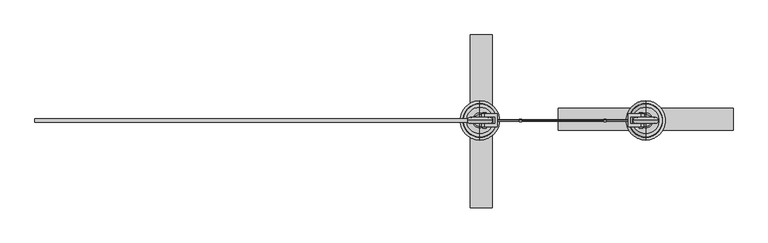
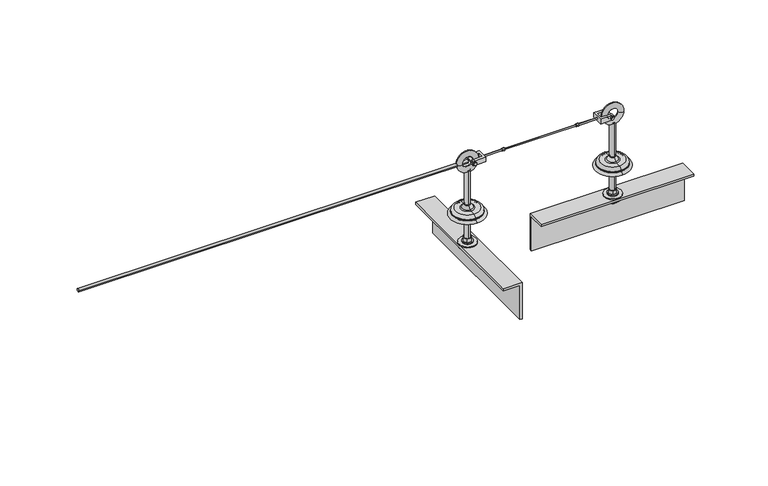
"""IFC4 building model written with IfcOpenShell, lengths in millimetres: proxy geometry."""

from ifc_helpers import new_model, si_unit, point, frame, frame_2d, origin, place, context, project, spatial, polyline, circle_curve, ellipse_curve, trimmed, segment, composite_curve, outline, extrude, source, transform, mapped, element, save
from ifc_brep_helpers import plane_surface, cylinder_surface, revolved_surface, advanced_brep


def specialty_equipment_a8bb1f18(model_context):
    return source(origin(), model_context, "Body", "SolidModel", [
        advanced_brep(
        [(1400.0, 45.0, 0.0), (1400.0, 7.0, 0.0), (1400.0, -7.0, 0.0), (1400.0, -45.0, 0.0), (1400.0, 7.0, -100.0), (1400.0, -7.0, -100.0), (1400.0, 0.0, -100.0), (1400.0, 0.0, 121.6303144), (1400.0, 6.9, 121.6303144), (1400.0, -6.9, 121.6303144), (1400.0, 6.9, 28.0512021), (1400.0, -6.9, 28.0512021), (1400.0, 7.995656, 24.9277269), (1400.0, 13.6366177, 17.8765248), (1400.0, -13.6366177, 17.8765248), (1400.0, -7.995656, 24.9277269), (1400.0, 17.5409617, 16.0), (1400.0, 30.1640518, 16.0), (1400.0, -30.1640518, 16.0), (1400.0, -17.5409617, 16.0), (1400.0, 37.6378375, 8.5262143), (1400.0, -37.6378375, 8.5262143), (1400.0, 37.6378375, 6.8656759), (1400.0, -37.6378375, 6.8656759), (1400.0, 38.448306, 5.8712826), (1400.0, -38.448306, 5.8712826)],
        [
            (0, 1),
            (1, 2, circle_curve(frame((1400.0, 0.0, 0.0), z_axis=(0.0, 0.0, 1.0), x_axis=(0.0, -1.0, 0.0)), 7.0)),
            (2, 3),
            (3, 0, circle_curve(frame((1400.0, 0.0, 0.0), z_axis=(0.0, 0.0, -1.0), x_axis=(0.0, -1.0, 0.0)), 45.0)),
            (2, 1, circle_curve(frame((1400.0, 0.0, 0.0), z_axis=(0.0, 0.0, 1.0), x_axis=(0.0, -1.0, 0.0)), 7.0)),
            (0, 3, circle_curve(frame((1400.0, 0.0, 0.0), z_axis=(0.0, 0.0, -1.0), x_axis=(0.0, -1.0, 0.0)), 45.0)),
            (1, 4),
            (4, 5, circle_curve(frame((1400.0, 0.0, -100.0), z_axis=(0.0, 0.0, 1.0), x_axis=(0.0, -1.0, 0.0)), 7.0)),
            (5, 2),
            (5, 4, circle_curve(frame((1400.0, 0.0, -100.0), z_axis=(0.0, 0.0, 1.0), x_axis=(0.0, -1.0, 0.0)), 7.0)),
            (4, 6),
            (6, 5),
            (7, 8),
            (8, 9, circle_curve(frame((1400.0, 0.0, 121.6303144), z_axis=(0.0, 0.0, 1.0), x_axis=(0.0, -1.0, 0.0)), 6.9)),
            (9, 7),
            (9, 8, circle_curve(frame((1400.0, 0.0, 121.6303144), z_axis=(0.0, 0.0, 1.0), x_axis=(0.0, -1.0, 0.0)), 6.9)),
            (8, 10),
            (10, 11, circle_curve(frame((1400.0, 0.0, 28.0512021), z_axis=(0.0, 0.0, 1.0), x_axis=(0.0, -1.0, 0.0)), 6.9)),
            (11, 9),
            (11, 10, circle_curve(frame((1400.0, 0.0, 28.0512021), z_axis=(0.0, 0.0, 1.0), x_axis=(0.0, -1.0, 0.0)), 6.9)),
            (12, 13),
            (13, 14, circle_curve(frame((1400.0, 0.0, 17.8765248), z_axis=(0.0, 0.0, 1.0), x_axis=(0.0, -1.0, 0.0)), 13.6366177)),
            (14, 15),
            (15, 12, circle_curve(frame((1400.0, 0.0, 24.9277269), z_axis=(0.0, 0.0, -1.0), x_axis=(0.0, -1.0, 0.0)), 7.995656)),
            (14, 13, circle_curve(frame((1400.0, 0.0, 17.8765248), z_axis=(0.0, 0.0, 1.0), x_axis=(0.0, -1.0, 0.0)), 13.6366177)),
            (12, 15, circle_curve(frame((1400.0, 0.0, 24.9277269), z_axis=(0.0, 0.0, -1.0), x_axis=(0.0, -1.0, 0.0)), 7.995656)),
            (16, 17),
            (17, 18, circle_curve(frame((1400.0, 0.0, 16.0), z_axis=(0.0, 0.0, 1.0), x_axis=(0.0, -1.0, 0.0)), 30.1640518)),
            (18, 19),
            (19, 16, circle_curve(frame((1400.0, 0.0, 16.0), z_axis=(0.0, 0.0, -1.0), x_axis=(0.0, -1.0, 0.0)), 17.5409617)),
            (18, 17, circle_curve(frame((1400.0, 0.0, 16.0), z_axis=(0.0, 0.0, 1.0), x_axis=(0.0, -1.0, 0.0)), 30.1640518)),
            (16, 19, circle_curve(frame((1400.0, 0.0, 16.0), z_axis=(0.0, 0.0, -1.0), x_axis=(0.0, -1.0, 0.0)), 17.5409617)),
            (17, 20, circle_curve(frame((1400.0, 30.1640518, 8.5262143), z_axis=(-1.0, 0.0, 0.0), x_axis=(0.0, -1.0, 0.0)), 7.4737857)),
            (20, 21, circle_curve(frame((1400.0, 0.0, 8.5262143), z_axis=(0.0, 0.0, 1.0), x_axis=(0.0, -1.0, 0.0)), 37.6378375)),
            (21, 18, circle_curve(frame((1400.0, -30.1640518, 8.5262143), z_axis=(-1.0, 0.0, 0.0), x_axis=(0.0, 1.0, 0.0)), 7.4737857)),
            (21, 20, circle_curve(frame((1400.0, 0.0, 8.5262143), z_axis=(0.0, 0.0, 1.0), x_axis=(0.0, -1.0, 0.0)), 37.6378375)),
            (20, 22),
            (22, 23, circle_curve(frame((1400.0, 0.0, 6.8656759), z_axis=(0.0, 0.0, 1.0), x_axis=(0.0, -1.0, 0.0)), 37.6378375)),
            (23, 21),
            (23, 22, circle_curve(frame((1400.0, 0.0, 6.8656759), z_axis=(0.0, 0.0, 1.0), x_axis=(0.0, -1.0, 0.0)), 37.6378375)),
            (10, 12, circle_curve(frame((1400.0, 11.9, 28.0512021), z_axis=(1.0, 0.0, 0.0), x_axis=(0.0, -1.0, 0.0)), 5.0)),
            (15, 11, circle_curve(frame((1400.0, -11.9, 28.0512021), z_axis=(1.0, 0.0, 0.0), x_axis=(0.0, 1.0, 0.0)), 5.0)),
            (13, 16, circle_curve(frame((1400.0, 17.5409617, 21.0), z_axis=(1.0, 0.0, 0.0), x_axis=(0.0, -1.0, 0.0)), 5.0)),
            (19, 14, circle_curve(frame((1400.0, -17.5409617, 21.0), z_axis=(1.0, 0.0, 0.0), x_axis=(0.0, 1.0, 0.0)), 5.0)),
            (22, 24, circle_curve(frame((1400.0, 38.6531003, 6.8656759), z_axis=(1.0, 0.0, 0.0), x_axis=(0.0, -1.0, 0.0)), 1.0152629)),
            (24, 25, circle_curve(frame((1400.0, 0.0, 5.8712826), z_axis=(0.0, 0.0, 1.0), x_axis=(0.0, -1.0, 0.0)), 38.448306)),
            (25, 23, circle_curve(frame((1400.0, -38.6531003, 6.8656759), z_axis=(1.0, 0.0, 0.0), x_axis=(0.0, 1.0, 0.0)), 1.0152629)),
            (25, 24, circle_curve(frame((1400.0, 0.0, 5.8712826), z_axis=(0.0, 0.0, 1.0), x_axis=(0.0, -1.0, 0.0)), 38.448306)),
            (24, 0, circle_curve(frame((1400.0, 36.6858246, -2.686569), z_axis=(-1.0, 0.0, 0.0), x_axis=(0.0, -1.0, 0.0)), 8.7374576)),
            (3, 25, circle_curve(frame((1400.0, -36.6858246, -2.686569), z_axis=(-1.0, 0.0, 0.0), x_axis=(0.0, 1.0, 0.0)), 8.7374576)),
        ],
        [
            plane_surface(frame((1400.0, 0.0, 0.0), z_axis=(0.0, 0.0, -1.0), x_axis=(0.0, -1.0, 0.0))),
            cylinder_surface(frame((1400.0, 0.0, 93.0), z_axis=(0.0, 0.0, 1.0), x_axis=(0.0, -1.0, 0.0)), 7.0),
            plane_surface(frame((1400.0, 0.0, -100.0), z_axis=(0.0, 0.0, -1.0), x_axis=(0.0, -1.0, 0.0))),
            plane_surface(frame((1400.0, 0.0, 121.6303144), z_axis=(0.0, 0.0, 1.0), x_axis=(0.0, -1.0, 0.0))),
            cylinder_surface(frame((1400.0, 0.0, 93.0), z_axis=(0.0, 0.0, 1.0), x_axis=(0.0, -1.0, 0.0)), 6.9),
            revolved_surface(polyline([(1400.0, -13.6366177, 17.8765248), (1400.0, -7.995656, 24.9277269)]), (1400.0, 0.0, 93.0), (0.0, 0.0, 1.0)),
            plane_surface(frame((1400.0, 0.0, 16.0), z_axis=(0.0, 0.0, 1.0), x_axis=(0.0, -1.0, 0.0))),
            revolved_surface(trimmed(ellipse_curve(frame((1400.0, -30.1640518, 8.5262143), z_axis=(-1.0, 0.0, 0.0), x_axis=(0.0, 1.0, 0.0)), 7.4737857, 7.4737857), [point((1400.0, -37.6378375, 8.5262143))], [point((1400.0, -30.1640518, 16.0))], True, "CARTESIAN"), (1400.0, 0.0, 93.0), (0.0, 0.0, 1.0)),
            cylinder_surface(frame((1400.0, 0.0, 93.0), z_axis=(0.0, 0.0, 1.0), x_axis=(0.0, -1.0, 0.0)), 37.6378375),
            revolved_surface(trimmed(ellipse_curve(frame((1400.0, -11.9, 28.0512021), z_axis=(1.0, 0.0, 0.0), x_axis=(0.0, 1.0, 0.0)), 5.0, 5.0), [point((1400.0, -7.995656, 24.9277269))], [point((1400.0, -6.9, 28.0512021))], True, "CARTESIAN"), (1400.0, 0.0, 93.0), (0.0, 0.0, 1.0)),
            revolved_surface(trimmed(ellipse_curve(frame((1400.0, -17.5409617, 21.0), z_axis=(1.0, 0.0, 0.0), x_axis=(0.0, 1.0, 0.0)), 5.0, 5.0), [point((1400.0, -17.5409617, 16.0))], [point((1400.0, -13.6366177, 17.8765248))], True, "CARTESIAN"), (1400.0, 0.0, 93.0), (0.0, 0.0, 1.0)),
            revolved_surface(trimmed(ellipse_curve(frame((1400.0, -38.6531003, 6.8656759), z_axis=(1.0, 0.0, 0.0), x_axis=(0.0, 1.0, 0.0)), 1.0152629, 1.0152629), [point((1400.0, -38.448306, 5.8712826))], [point((1400.0, -37.6378375, 6.8656759))], True, "CARTESIAN"), (1400.0, 0.0, 93.0), (0.0, 0.0, 1.0)),
            revolved_surface(trimmed(ellipse_curve(frame((1400.0, -36.6858246, -2.686569), z_axis=(-1.0, 0.0, 0.0), x_axis=(0.0, 1.0, 0.0)), 8.7374576, 8.7374576), [point((1400.0, -45.0, 0.0))], [point((1400.0, -38.448306, 5.8712826))], True, "CARTESIAN"), (1400.0, 0.0, 93.0), (0.0, 0.0, 1.0)),
        ],
        [
            (0, [[1, 2, 3, 4]]),
            (0, [[-3, 5, -1, 6]]),
            (1, [[7, 8, 9, -2]]),
            (1, [[-9, 10, -7, -5]]),
            (2, [[11, 12, -8]]),
            (2, [[-12, -11, -10]]),
            (3, [[13, 14, 15]]),
            (3, [[-15, 16, -13]]),
            (4, [[17, 18, 19, -14]]),
            (4, [[-19, 20, -17, -16]]),
            (5, [[21, 22, 23, 24]]),
            (5, [[-23, 25, -21, 26]]),
            (6, [[27, 28, 29, 30]]),
            (6, [[-29, 31, -27, 32]]),
            (7, [[33, 34, 35, -28]]),
            (7, [[-35, 36, -33, -31]]),
            (8, [[37, 38, 39, -34]]),
            (8, [[-39, 40, -37, -36]]),
            (9, [[41, -24, 42, -18]]),
            (9, [[-42, -26, -41, -20]]),
            (10, [[43, -30, 44, -22]]),
            (10, [[-44, -32, -43, -25]]),
            (11, [[45, 46, 47, -38]]),
            (11, [[-47, 48, -45, -40]]),
            (12, [[49, -4, 50, -46]]),
            (12, [[-50, -6, -49, -48]]),
        ],
    ),
        advanced_brep(
        [(1020.0243251, 7.0, 0.0), (1020.0243251, 45.0, 0.0), (1020.0243251, -45.0, 0.0), (1020.0243251, -7.0, 0.0), (1020.0243251, 7.0, -100.0), (1020.0243251, -7.0, -100.0), (1020.0243251, 0.0, -100.0), (1020.0243251, 6.9, 121.6303144), (1020.0243251, 0.0, 121.6303144), (1020.0243251, -6.9, 121.6303144), (1020.0243251, 6.9, 28.0512021), (1020.0243251, -6.9, 28.0512021), (1020.0243251, 13.6366177, 17.8765248), (1020.0243251, 7.995656, 24.9277269), (1020.0243251, -7.995656, 24.9277269), (1020.0243251, -13.6366177, 17.8765248), (1020.0243251, 30.1640518, 16.0), (1020.0243251, 17.5409617, 16.0), (1020.0243251, -17.5409617, 16.0), (1020.0243251, -30.1640518, 16.0), (1020.0243251, 37.6378375, 8.5262143), (1020.0243251, -37.6378375, 8.5262143), (1020.0243251, 37.6378375, 6.8656759), (1020.0243251, -37.6378375, 6.8656759), (1020.0243251, 38.448306, 5.8712826), (1020.0243251, -38.448306, 5.8712826)],
        [
            (0, 1),
            (1, 2, circle_curve(frame((1020.0243251, 0.0, 0.0), z_axis=(0.0, 0.0, -1.0), x_axis=(0.0, -1.0, 0.0)), 45.0)),
            (2, 3),
            (3, 0, circle_curve(frame((1020.0243251, 0.0, 0.0), z_axis=(0.0, 0.0, 1.0), x_axis=(0.0, -1.0, 0.0)), 7.0)),
            (2, 1, circle_curve(frame((1020.0243251, 0.0, 0.0), z_axis=(0.0, 0.0, -1.0), x_axis=(0.0, -1.0, 0.0)), 45.0)),
            (0, 3, circle_curve(frame((1020.0243251, 0.0, 0.0), z_axis=(0.0, 0.0, 1.0), x_axis=(0.0, -1.0, 0.0)), 7.0)),
            (4, 0),
            (3, 5),
            (5, 4, circle_curve(frame((1020.0243251, 0.0, -100.0), z_axis=(0.0, 0.0, 1.0), x_axis=(0.0, -1.0, 0.0)), 7.0)),
            (4, 5, circle_curve(frame((1020.0243251, 0.0, -100.0), z_axis=(0.0, 0.0, 1.0), x_axis=(0.0, -1.0, 0.0)), 7.0)),
            (6, 4),
            (5, 6),
            (7, 8),
            (8, 9),
            (9, 7, circle_curve(frame((1020.0243251, 0.0, 121.6303144), z_axis=(0.0, 0.0, 1.0), x_axis=(0.0, -1.0, 0.0)), 6.9)),
            (7, 9, circle_curve(frame((1020.0243251, 0.0, 121.6303144), z_axis=(0.0, 0.0, 1.0), x_axis=(0.0, -1.0, 0.0)), 6.9)),
            (10, 7),
            (9, 11),
            (11, 10, circle_curve(frame((1020.0243251, 0.0, 28.0512021), z_axis=(0.0, 0.0, 1.0), x_axis=(0.0, -1.0, 0.0)), 6.9)),
            (10, 11, circle_curve(frame((1020.0243251, 0.0, 28.0512021), z_axis=(0.0, 0.0, 1.0), x_axis=(0.0, -1.0, 0.0)), 6.9)),
            (12, 13),
            (13, 14, circle_curve(frame((1020.0243251, 0.0, 24.9277269), z_axis=(0.0, 0.0, -1.0), x_axis=(0.0, -1.0, 0.0)), 7.995656)),
            (14, 15),
            (15, 12, circle_curve(frame((1020.0243251, 0.0, 17.8765248), z_axis=(0.0, 0.0, 1.0), x_axis=(0.0, -1.0, 0.0)), 13.6366177)),
            (14, 13, circle_curve(frame((1020.0243251, 0.0, 24.9277269), z_axis=(0.0, 0.0, -1.0), x_axis=(0.0, -1.0, 0.0)), 7.995656)),
            (12, 15, circle_curve(frame((1020.0243251, 0.0, 17.8765248), z_axis=(0.0, 0.0, 1.0), x_axis=(0.0, -1.0, 0.0)), 13.6366177)),
            (16, 17),
            (17, 18, circle_curve(frame((1020.0243251, 0.0, 16.0), z_axis=(0.0, 0.0, -1.0), x_axis=(0.0, -1.0, 0.0)), 17.5409617)),
            (18, 19),
            (19, 16, circle_curve(frame((1020.0243251, 0.0, 16.0), z_axis=(0.0, 0.0, 1.0), x_axis=(0.0, -1.0, 0.0)), 30.1640518)),
            (18, 17, circle_curve(frame((1020.0243251, 0.0, 16.0), z_axis=(0.0, 0.0, -1.0), x_axis=(0.0, -1.0, 0.0)), 17.5409617)),
            (16, 19, circle_curve(frame((1020.0243251, 0.0, 16.0), z_axis=(0.0, 0.0, 1.0), x_axis=(0.0, -1.0, 0.0)), 30.1640518)),
            (20, 16, circle_curve(frame((1020.0243251, 30.1640518, 8.5262143), z_axis=(1.0, 0.0, 0.0), x_axis=(0.0, -1.0, 0.0)), 7.4737857)),
            (19, 21, circle_curve(frame((1020.0243251, -30.1640518, 8.5262143), z_axis=(1.0, 0.0, 0.0), x_axis=(0.0, 1.0, 0.0)), 7.4737857)),
            (21, 20, circle_curve(frame((1020.0243251, 0.0, 8.5262143), z_axis=(0.0, 0.0, 1.0), x_axis=(0.0, -1.0, 0.0)), 37.6378375)),
            (20, 21, circle_curve(frame((1020.0243251, 0.0, 8.5262143), z_axis=(0.0, 0.0, 1.0), x_axis=(0.0, -1.0, 0.0)), 37.6378375)),
            (22, 20),
            (21, 23),
            (23, 22, circle_curve(frame((1020.0243251, 0.0, 6.8656759), z_axis=(0.0, 0.0, 1.0), x_axis=(0.0, -1.0, 0.0)), 37.6378375)),
            (22, 23, circle_curve(frame((1020.0243251, 0.0, 6.8656759), z_axis=(0.0, 0.0, 1.0), x_axis=(0.0, -1.0, 0.0)), 37.6378375)),
            (13, 10, circle_curve(frame((1020.0243251, 11.9, 28.0512021), z_axis=(-1.0, 0.0, 0.0), x_axis=(0.0, -1.0, 0.0)), 5.0)),
            (11, 14, circle_curve(frame((1020.0243251, -11.9, 28.0512021), z_axis=(-1.0, 0.0, 0.0), x_axis=(0.0, 1.0, 0.0)), 5.0)),
            (17, 12, circle_curve(frame((1020.0243251, 17.5409617, 21.0), z_axis=(-1.0, 0.0, 0.0), x_axis=(0.0, -1.0, 0.0)), 5.0)),
            (15, 18, circle_curve(frame((1020.0243251, -17.5409617, 21.0), z_axis=(-1.0, 0.0, 0.0), x_axis=(0.0, 1.0, 0.0)), 5.0)),
            (24, 22, circle_curve(frame((1020.0243251, 38.6531003, 6.8656759), z_axis=(-1.0, 0.0, 0.0), x_axis=(0.0, -1.0, 0.0)), 1.0152629)),
            (23, 25, circle_curve(frame((1020.0243251, -38.6531003, 6.8656759), z_axis=(-1.0, 0.0, 0.0), x_axis=(0.0, 1.0, 0.0)), 1.0152629)),
            (25, 24, circle_curve(frame((1020.0243251, 0.0, 5.8712826), z_axis=(0.0, 0.0, 1.0), x_axis=(0.0, -1.0, 0.0)), 38.448306)),
            (24, 25, circle_curve(frame((1020.0243251, 0.0, 5.8712826), z_axis=(0.0, 0.0, 1.0), x_axis=(0.0, -1.0, 0.0)), 38.448306)),
            (1, 24, circle_curve(frame((1020.0243251, 36.6858246, -2.686569), z_axis=(1.0, 0.0, 0.0), x_axis=(0.0, -1.0, 0.0)), 8.7374576)),
            (25, 2, circle_curve(frame((1020.0243251, -36.6858246, -2.686569), z_axis=(1.0, 0.0, 0.0), x_axis=(0.0, 1.0, 0.0)), 8.7374576)),
        ],
        [
            plane_surface(frame((1020.0243251, 0.0, 0.0), z_axis=(0.0, 0.0, -1.0), x_axis=(0.0, -1.0, 0.0))),
            cylinder_surface(frame((1020.0243251, 0.0, 93.0), z_axis=(0.0, 0.0, -1.0), x_axis=(0.0, -1.0, 0.0)), 7.0),
            plane_surface(frame((1020.0243251, 0.0, -100.0), z_axis=(0.0, 0.0, -1.0), x_axis=(0.0, -1.0, 0.0))),
            plane_surface(frame((1020.0243251, 0.0, 121.6303144), z_axis=(0.0, 0.0, 1.0), x_axis=(0.0, -1.0, 0.0))),
            cylinder_surface(frame((1020.0243251, 0.0, 93.0), z_axis=(0.0, 0.0, -1.0), x_axis=(0.0, -1.0, 0.0)), 6.9),
            revolved_surface(polyline([(1020.0243251, -7.995656, 24.9277269), (1020.0243251, -13.6366177, 17.8765248)]), (1020.0243251, 0.0, 93.0), (0.0, 0.0, -1.0)),
            plane_surface(frame((1020.0243251, 0.0, 16.0), z_axis=(0.0, 0.0, 1.0), x_axis=(0.0, -1.0, 0.0))),
            revolved_surface(trimmed(ellipse_curve(frame((1020.0243251, -30.1640518, 8.5262143), z_axis=(1.0, 0.0, 0.0), x_axis=(0.0, 1.0, 0.0)), 7.4737857, 7.4737857), [point((1020.0243251, -30.1640518, 16.0))], [point((1020.0243251, -37.6378375, 8.5262143))], True, "CARTESIAN"), (1020.0243251, 0.0, 93.0), (0.0, 0.0, -1.0)),
            cylinder_surface(frame((1020.0243251, 0.0, 93.0), z_axis=(0.0, 0.0, -1.0), x_axis=(0.0, -1.0, 0.0)), 37.6378375),
            revolved_surface(trimmed(ellipse_curve(frame((1020.0243251, -11.9, 28.0512021), z_axis=(-1.0, 0.0, 0.0), x_axis=(0.0, 1.0, 0.0)), 5.0, 5.0), [point((1020.0243251, -6.9, 28.0512021))], [point((1020.0243251, -7.995656, 24.9277269))], True, "CARTESIAN"), (1020.0243251, 0.0, 93.0), (0.0, 0.0, -1.0)),
            revolved_surface(trimmed(ellipse_curve(frame((1020.0243251, -17.5409617, 21.0), z_axis=(-1.0, 0.0, 0.0), x_axis=(0.0, 1.0, 0.0)), 5.0, 5.0), [point((1020.0243251, -13.6366177, 17.8765248))], [point((1020.0243251, -17.5409617, 16.0))], True, "CARTESIAN"), (1020.0243251, 0.0, 93.0), (0.0, 0.0, -1.0)),
            revolved_surface(trimmed(ellipse_curve(frame((1020.0243251, -38.6531003, 6.8656759), z_axis=(-1.0, 0.0, 0.0), x_axis=(0.0, 1.0, 0.0)), 1.0152629, 1.0152629), [point((1020.0243251, -37.6378375, 6.8656759))], [point((1020.0243251, -38.448306, 5.8712826))], True, "CARTESIAN"), (1020.0243251, 0.0, 93.0), (0.0, 0.0, -1.0)),
            revolved_surface(trimmed(ellipse_curve(frame((1020.0243251, -36.6858246, -2.686569), z_axis=(1.0, 0.0, 0.0), x_axis=(0.0, 1.0, 0.0)), 8.7374576, 8.7374576), [point((1020.0243251, -38.448306, 5.8712826))], [point((1020.0243251, -45.0, 0.0))], True, "CARTESIAN"), (1020.0243251, 0.0, 93.0), (0.0, 0.0, -1.0)),
        ],
        [
            (0, [[1, 2, 3, 4]]),
            (0, [[-3, 5, -1, 6]]),
            (1, [[7, -4, 8, 9]]),
            (1, [[-8, -6, -7, 10]]),
            (2, [[11, -9, 12]]),
            (2, [[-12, -10, -11]]),
            (3, [[13, 14, 15]]),
            (3, [[-14, -13, 16]]),
            (4, [[17, -15, 18, 19]]),
            (4, [[-18, -16, -17, 20]]),
            (5, [[21, 22, 23, 24]]),
            (5, [[-23, 25, -21, 26]]),
            (6, [[27, 28, 29, 30]]),
            (6, [[-29, 31, -27, 32]]),
            (7, [[33, -30, 34, 35]]),
            (7, [[-34, -32, -33, 36]]),
            (8, [[37, -35, 38, 39]]),
            (8, [[-38, -36, -37, 40]]),
            (9, [[41, -19, 42, -22]]),
            (9, [[-42, -20, -41, -25]]),
            (10, [[43, -24, 44, -28]]),
            (10, [[-44, -26, -43, -31]]),
            (11, [[45, -39, 46, 47]]),
            (11, [[-46, -40, -45, 48]]),
            (12, [[49, -47, 50, -2]]),
            (12, [[-50, -48, -49, -5]]),
        ],
    ),
        extrude(outline(polyline([(0.0378375, 147.2159586), (3.255952, 145.3579793), (3.255952, 141.6420207), (0.0378375, 139.7840414), (-3.1802771, 141.6420207), (-3.1802771, 145.3579793), (0.0378375, 147.2159586)])), frame((1304.0, 0.0, 0.0), z_axis=(1.0, 0.0, 0.0), x_axis=(0.0, 1.0, 0.0)), (0.0, 0.0, 1.0), 6.0),
        extrude(outline(polyline([(0.0378375, 147.2159586), (3.255952, 145.3579793), (3.255952, 141.6420207), (0.0378375, 139.7840414), (-3.1802771, 141.6420207), (-3.1802771, 145.3579793), (0.0378375, 147.2159586)])), frame((1110.0243251, 0.0, 0.0), z_axis=(1.0, 0.0, 0.0), x_axis=(0.0, 1.0, 0.0)), (0.0, 0.0, 1.0), 6.0),
        extrude(outline(composite_curve([segment(trimmed(circle_curve(frame_2d((0.0378375, 143.5)), 2.0), [point((0.0378375, 145.5))], [point((0.0378375, 141.5))], False, "CARTESIAN"), True, "CONTINUOUS"), segment(trimmed(circle_curve(frame_2d((0.0378375, 143.5)), 2.0), [point((0.0378375, 141.5))], [point((0.0378375, 145.5))], False, "CARTESIAN"), True, "CONTINUOUS")], self_intersect=False)), frame((1060.0243251, 0.0, 0.0), z_axis=(1.0, 0.0, 0.0), x_axis=(0.0, 1.0, 0.0)), (0.0, 0.0, 1.0), 50.0),
        advanced_brep(
        [(1304.0121625, 0.0, 144.9991883), (1304.0121625, 0.0, 143.5), (1304.0121625, 0.0, 142.0008117), (1116.0121625, 0.0, 144.4598668), (1116.0121625, 0.0, 142.5401332), (1116.0121625, 0.0, 143.5)],
        [
            (0, 1),
            (1, 2),
            (2, 0, circle_curve(frame((1304.0121625, 0.0, 143.5), z_axis=(1.0, 0.0, 0.0), x_axis=(0.0, 0.0, -1.0)), 1.4991883)),
            (0, 2, circle_curve(frame((1304.0121625, 0.0, 143.5), z_axis=(1.0, 0.0, 0.0), x_axis=(0.0, 0.0, -1.0)), 1.4991883)),
            (3, 0, circle_curve(frame((1214.6843147, 0.0, -1483.9180993), z_axis=(0.0, 1.0, 0.0), x_axis=(-1.0, 0.0, 0.0)), 1631.3647643)),
            (2, 4, circle_curve(frame((1214.6843147, 0.0, 1770.9180993), z_axis=(0.0, 1.0, 0.0), x_axis=(-1.0, 0.0, 0.0)), 1631.3647643)),
            (4, 3, circle_curve(frame((1116.0121625, 0.0, 143.5), z_axis=(1.0, 0.0, 0.0), x_axis=(0.0, 0.0, -1.0)), 0.9598668)),
            (3, 4, circle_curve(frame((1116.0121625, 0.0, 143.5), z_axis=(1.0, 0.0, 0.0), x_axis=(0.0, 0.0, -1.0)), 0.9598668)),
            (5, 3),
            (4, 5),
        ],
        [
            plane_surface(frame((1304.0121625, 0.0, 143.5), z_axis=(1.0, 0.0, 0.0), x_axis=(0.0, 0.0, -1.0))),
            revolved_surface(trimmed(ellipse_curve(frame((1214.6843147, 0.0, 1770.9180993), z_axis=(0.0, 1.0, 0.0), x_axis=(-1.0, 0.0, 0.0)), 1631.3647643, 1631.3647643), [point((1304.0121625, 0.0, 142.0008117))], [point((1116.0121625, 0.0, 142.5401332))], True, "CARTESIAN"), (1240.0121625, 0.0, 143.5), (-1.0, 0.0, 0.0)),
            plane_surface(frame((1116.0121625, 0.0, 143.5), z_axis=(-1.0, 0.0, 0.0), x_axis=(0.0, 0.0, -1.0))),
        ],
        [
            (0, [[1, 2, 3]]),
            (0, [[-2, -1, 4]]),
            (1, [[5, -3, 6, 7]]),
            (1, [[-6, -4, -5, 8]]),
            (2, [[9, -7, 10]]),
            (2, [[-10, -8, -9]]),
        ],
    ),
        extrude(outline(composite_curve([segment(trimmed(circle_curve(frame_2d((0.0378375, 143.5)), 2.0), [point((0.0378375, 145.5))], [point((0.0378375, 141.5))], False, "CARTESIAN"), True, "CONTINUOUS"), segment(trimmed(circle_curve(frame_2d((0.0378375, 143.5)), 2.0), [point((0.0378375, 141.5))], [point((0.0378375, 145.5))], False, "CARTESIAN"), True, "CONTINUOUS")], self_intersect=False)), frame((1310.0, 0.0, 0.0), z_axis=(1.0, 0.0, 0.0), x_axis=(0.0, 1.0, 0.0)), (0.0, 0.0, 1.0), 50.0),
        extrude(outline(composite_curve([segment(trimmed(circle_curve(frame_2d((143.5, 1030.3432172)), 4.0), [point((143.5, 1026.3432172))], [point((143.5, 1034.3432172))], False, "CARTESIAN"), True, "CONTINUOUS"), segment(trimmed(circle_curve(frame_2d((143.5, 1030.3432172)), 4.0), [point((143.5, 1034.3432172))], [point((143.5, 1026.3432172))], False, "CARTESIAN"), True, "CONTINUOUS")], self_intersect=False)), frame((0.0, -7.7810663, 0.0), z_axis=(0.0, 1.0, 0.0), x_axis=(0.0, 0.0, 1.0)), (0.0, 0.0, 1.0), 15.6923596),
        advanced_brep(
        [(1060.0243251, -15.0, 137.1597348), (1060.0243251, -15.0, 149.8402652), (1030.3675423, -15.0, 149.8402652), (1030.3675423, -15.0, 137.1597348), (1060.0243251, 15.0, 137.1597348), (1030.3675423, 15.0, 137.1597348), (1030.3675423, 15.0, 149.8402652), (1060.0243251, 15.0, 149.8402652), (1030.3675423, 7.9112933, 137.1597348), (1030.3675423, 7.9112933, 149.8402652), (1030.3675423, -7.7810663, 149.8402652), (1030.3675423, -7.7810663, 137.1597348), (1055.0243251, 7.9112933, 149.8402652), (1055.0243251, -7.7810663, 149.8402652), (1055.0243251, -7.7810663, 137.1597348), (1055.0243251, 7.9112933, 137.1597348)],
        [
            (0, 1),
            (1, 2),
            (2, 3, circle_curve(frame((1030.3675423, -15.0, 143.5), z_axis=(0.0, -1.0, 0.0), x_axis=(1.0, 0.0, 0.0)), 6.3402652)),
            (3, 0),
            (4, 5),
            (5, 6, circle_curve(frame((1030.3675423, 15.0, 143.5), z_axis=(0.0, 1.0, 0.0), x_axis=(1.0, 0.0, 0.0)), 6.3402652)),
            (6, 7),
            (7, 4),
            (0, 4),
            (7, 1),
            (5, 8),
            (8, 9, circle_curve(frame((1030.3675423, 7.9112933, 143.5), z_axis=(0.0, 1.0, 0.0), x_axis=(1.0, 0.0, 0.0)), 6.3402652)),
            (9, 6),
            (2, 10),
            (10, 11, circle_curve(frame((1030.3675423, -7.7810663, 143.5), z_axis=(0.0, -1.0, 0.0), x_axis=(1.0, 0.0, 0.0)), 6.3402652)),
            (11, 3),
            (9, 12),
            (12, 13),
            (13, 10),
            (11, 14),
            (14, 15),
            (15, 8),
            (14, 13),
            (12, 15),
        ],
        [
            plane_surface(frame((1030.3675423, -15.0, 137.1597348), z_axis=(0.0, -1.0, 0.0), x_axis=(-1.0, 0.0, 0.0))),
            plane_surface(frame((1030.3675423, 15.0, 137.1597348), z_axis=(0.0, 1.0, 0.0), x_axis=(1.0, 0.0, 0.0))),
            plane_surface(frame((1060.0243251, -15.0, 149.8402652), z_axis=(1.0, 0.0, 0.0), x_axis=(0.0, 1.0, 0.0))),
            cylinder_surface(frame((1030.3675423, 15.0, 143.5), z_axis=(0.0, -1.0, 0.0), x_axis=(1.0, 0.0, 0.0)), 6.3402652),
            plane_surface(frame((1030.3675423, -15.0, 149.8402652), z_axis=(0.0, 0.0, 1.0), x_axis=(0.0, 1.0, 0.0))),
            plane_surface(frame((1060.0243251, -15.0, 137.1597348), z_axis=(0.0, 0.0, -1.0), x_axis=(0.0, 1.0, 0.0))),
            plane_surface(frame((1055.0243251, -7.7810663, 137.1597348), z_axis=(-1.0, 0.0, 0.0), x_axis=(0.0, 0.0, 1.0))),
            plane_surface(frame((1020.0243251, -7.7810663, 137.1597348), z_axis=(0.0, 1.0, 0.0), x_axis=(0.0, 0.0, 1.0))),
            plane_surface(frame((1055.0243251, 7.9112933, 137.1597348), z_axis=(0.0, -1.0, 0.0), x_axis=(0.0, 0.0, 1.0))),
        ],
        [
            (0, [[1, 2, 3, 4]]),
            (1, [[5, 6, 7, 8]]),
            (2, [[9, -8, 10, -1]]),
            (3, [[11, 12, 13, -6]]),
            (3, [[14, 15, 16, -3]]),
            (4, [[-10, -7, -13, 17, 18, 19, -14, -2]]),
            (5, [[-16, 20, 21, 22, -11, -5, -9, -4]]),
            (6, [[-21, 23, -18, 24]]),
            (7, [[-20, -15, -19, -23]]),
            (8, [[-17, -12, -22, -24]]),
        ],
    ),
        extrude(outline(composite_curve([segment(trimmed(circle_curve(frame_2d((143.5, 1389.6567828)), 4.0), [point((143.5, 1393.6567828))], [point((143.5, 1385.6567828))], False, "CARTESIAN"), True, "CONTINUOUS"), segment(trimmed(circle_curve(frame_2d((143.5, 1389.6567828)), 4.0), [point((143.5, 1385.6567828))], [point((143.5, 1393.6567828))], False, "CARTESIAN"), True, "CONTINUOUS")], self_intersect=False)), frame((0.0, -7.7810663, 0.0), z_axis=(0.0, 1.0, 0.0), x_axis=(0.0, 0.0, 1.0)), (0.0, 0.0, 1.0), 15.6923596),
        advanced_brep(
        [(1414.5545757, 0.0, 143.5), (1428.5545757, 0.0, 143.5), (1371.4454243, 0.0, 143.5), (1385.4454243, 0.0, 143.5)],
        [
            (0, 1, circle_curve(frame((1421.5545757, 0.0, 143.5), z_axis=(0.0, 0.0, 1.0), x_axis=(-1.0, 0.0, 0.0)), 7.0)),
            (1, 2, circle_curve(frame((1400.0, 0.0, 143.5), z_axis=(0.0, -1.0, 0.0), x_axis=(-1.0, 0.0, 0.0)), 28.5545757)),
            (2, 3, circle_curve(frame((1378.4454243, 0.0, 143.5), z_axis=(0.0, 0.0, 1.0), x_axis=(1.0, 0.0, 0.0)), 7.0)),
            (3, 0, circle_curve(frame((1400.0, 0.0, 143.5), z_axis=(0.0, 1.0, 0.0), x_axis=(-1.0, 0.0, 0.0)), 14.5545757)),
            (1, 0, circle_curve(frame((1421.5545757, 0.0, 143.5), z_axis=(0.0, 0.0, 1.0), x_axis=(-1.0, 0.0, 0.0)), 7.0)),
            (3, 2, circle_curve(frame((1378.4454243, 0.0, 143.5), z_axis=(0.0, 0.0, 1.0), x_axis=(1.0, 0.0, 0.0)), 7.0)),
            (2, 1, circle_curve(frame((1400.0, 0.0, 143.5), z_axis=(0.0, -1.0, 0.0), x_axis=(1.0, 0.0, 0.0)), 28.5545757)),
            (0, 3, circle_curve(frame((1400.0, 0.0, 143.5), z_axis=(0.0, 1.0, 0.0), x_axis=(1.0, 0.0, 0.0)), 14.5545757)),
        ],
        [
            revolved_surface(trimmed(ellipse_curve(frame((1378.4454243, 0.0, 143.5), z_axis=(0.0, 0.0, 1.0), x_axis=(1.0, 0.0, 0.0)), 7.0, 7.0), [point((1371.4454243, 0.0, 143.5))], [point((1385.4454243, 0.0, 143.5))], True, "CARTESIAN"), (1400.0, 0.0, 143.5), (0.0, -1.0, 0.0)),
            revolved_surface(trimmed(ellipse_curve(frame((1378.4454243, 0.0, 143.5), z_axis=(0.0, 0.0, 1.0), x_axis=(1.0, 0.0, 0.0)), 7.0, 7.0), [point((1385.4454243, 0.0, 143.5))], [point((1371.4454243, 0.0, 143.5))], True, "CARTESIAN"), (1400.0, 0.0, 143.5), (0.0, -1.0, 0.0)),
            revolved_surface(trimmed(ellipse_curve(frame((1421.5545757, 0.0, 143.5), z_axis=(0.0, 0.0, -1.0), x_axis=(-1.0, 0.0, 0.0)), 7.0, 7.0), [point((1428.5545757, 0.0, 143.5))], [point((1414.5545757, 0.0, 143.5))], True, "CARTESIAN"), (1400.0, 0.0, 143.5), (0.0, -1.0, 0.0)),
            revolved_surface(trimmed(ellipse_curve(frame((1421.5545757, 0.0, 143.5), z_axis=(0.0, 0.0, -1.0), x_axis=(-1.0, 0.0, 0.0)), 7.0, 7.0), [point((1414.5545757, 0.0, 143.5))], [point((1428.5545757, 0.0, 143.5))], True, "CARTESIAN"), (1400.0, 0.0, 143.5), (0.0, -1.0, 0.0)),
        ],
        [
            (0, [[1, 2, 3, 4]]),
            (1, [[5, -4, 6, -2]]),
            (2, [[-3, 7, -1, 8]]),
            (3, [[-6, -8, -5, -7]]),
        ],
    ),
        extrude(outline(composite_curve([segment(trimmed(circle_curve(frame_2d((143.5, 1030.3675423)), 4.0), [point((143.5, 1034.3675423))], [point((143.5, 1026.3675423))], False, "CARTESIAN"), True, "CONTINUOUS"), segment(trimmed(circle_curve(frame_2d((143.5, 1030.3675423)), 4.0), [point((143.5, 1026.3675423))], [point((143.5, 1034.3675423))], False, "CARTESIAN"), True, "CONTINUOUS")], self_intersect=False)), frame((0.0, 15.0, 0.0), z_axis=(0.0, 1.0, 0.0), x_axis=(0.0, 0.0, 1.0)), (0.0, 0.0, 1.0), 3.0),
        extrude(outline(composite_curve([segment(trimmed(circle_curve(frame_2d((143.5, 1030.3675423)), 4.0), [point((143.5, 1026.3675423))], [point((143.5, 1034.3675423))], False, "CARTESIAN"), True, "CONTINUOUS"), segment(trimmed(circle_curve(frame_2d((143.5, 1030.3675423)), 4.0), [point((143.5, 1034.3675423))], [point((143.5, 1026.3675423))], False, "CARTESIAN"), True, "CONTINUOUS")], self_intersect=False)), frame((0.0, -18.0, 0.0), z_axis=(0.0, 1.0, 0.0), x_axis=(0.0, 0.0, 1.0)), (0.0, 0.0, 1.0), 3.0),
        extrude(outline(composite_curve([segment(trimmed(circle_curve(frame_2d((143.5, 1389.6567828)), 4.0), [point((143.5, 1385.6567828))], [point((143.5, 1393.6567828))], False, "CARTESIAN"), True, "CONTINUOUS"), segment(trimmed(circle_curve(frame_2d((143.5, 1389.6567828)), 4.0), [point((143.5, 1393.6567828))], [point((143.5, 1385.6567828))], False, "CARTESIAN"), True, "CONTINUOUS")], self_intersect=False)), frame((0.0, 15.0, 0.0), z_axis=(0.0, 1.0, 0.0), x_axis=(0.0, 0.0, 1.0)), (0.0, 0.0, 1.0), 3.0),
        extrude(outline(composite_curve([segment(trimmed(circle_curve(frame_2d((143.5, 1389.6567828)), 4.0), [point((143.5, 1393.6567828))], [point((143.5, 1385.6567828))], False, "CARTESIAN"), True, "CONTINUOUS"), segment(trimmed(circle_curve(frame_2d((143.5, 1389.6567828)), 4.0), [point((143.5, 1385.6567828))], [point((143.5, 1393.6567828))], False, "CARTESIAN"), True, "CONTINUOUS")], self_intersect=False)), frame((0.0, -18.0, 0.0), z_axis=(0.0, 1.0, 0.0), x_axis=(0.0, 0.0, 1.0)), (0.0, 0.0, 1.0), 3.0),
        advanced_brep(
        [(1360.0, -15.0, 137.1597348), (1389.6567828, -15.0, 137.1597348), (1389.6567828, -15.0, 149.8402652), (1360.0, -15.0, 149.8402652), (1360.0, 15.0, 137.1597348), (1360.0, 15.0, 149.8402652), (1389.6567828, 15.0, 149.8402652), (1389.6567828, 15.0, 137.1597348), (1389.6567828, 7.9112933, 149.8402652), (1389.6567828, 7.9112933, 137.1597348), (1389.6567828, -7.7810663, 137.1597348), (1389.6567828, -7.7810663, 149.8402652), (1365.0, -7.7810663, 149.8402652), (1365.0, 7.9112933, 149.8402652), (1365.0, 7.9112933, 137.1597348), (1365.0, -7.7810663, 137.1597348)],
        [
            (0, 1),
            (1, 2, circle_curve(frame((1389.6567828, -15.0, 143.5), z_axis=(0.0, -1.0, 0.0), x_axis=(-1.0, 0.0, 0.0)), 6.3402652)),
            (2, 3),
            (3, 0),
            (4, 5),
            (5, 6),
            (6, 7, circle_curve(frame((1389.6567828, 15.0, 143.5), z_axis=(0.0, 1.0, 0.0), x_axis=(-1.0, 0.0, 0.0)), 6.3402652)),
            (7, 4),
            (3, 5),
            (4, 0),
            (6, 8),
            (8, 9, circle_curve(frame((1389.6567828, 7.9112933, 143.5), z_axis=(0.0, 1.0, 0.0), x_axis=(-1.0, 0.0, 0.0)), 6.3402652)),
            (9, 7),
            (1, 10),
            (10, 11, circle_curve(frame((1389.6567828, -7.7810663, 143.5), z_axis=(0.0, -1.0, 0.0), x_axis=(-1.0, 0.0, 0.0)), 6.3402652)),
            (11, 2),
            (11, 12),
            (12, 13),
            (13, 8),
            (9, 14),
            (14, 15),
            (15, 10),
            (14, 13),
            (12, 15),
        ],
        [
            plane_surface(frame((1360.0, -15.0, 149.8402652), z_axis=(0.0, -1.0, 0.0), x_axis=(0.0, 0.0, 1.0))),
            plane_surface(frame((1360.0, 15.0, 149.8402652), z_axis=(0.0, 1.0, 0.0), x_axis=(0.0, 0.0, -1.0))),
            plane_surface(frame((1360.0, -15.0, 137.1597348), z_axis=(-1.0, 0.0, 0.0), x_axis=(0.0, 1.0, 0.0))),
            cylinder_surface(frame((1389.6567828, 15.0, 143.5), z_axis=(0.0, -1.0, 0.0), x_axis=(-1.0, 0.0, 0.0)), 6.3402652),
            plane_surface(frame((1360.0, -15.0, 149.8402652), z_axis=(0.0, 0.0, 1.0), x_axis=(0.0, 1.0, 0.0))),
            plane_surface(frame((1389.6567828, -15.0, 137.1597348), z_axis=(0.0, 0.0, -1.0), x_axis=(0.0, 1.0, 0.0))),
            plane_surface(frame((1365.0, 7.9112933, 137.1597348), z_axis=(1.0, 0.0, 0.0), x_axis=(0.0, 0.0, 1.0))),
            plane_surface(frame((1365.0, -7.7810663, 137.1597348), z_axis=(0.0, 1.0, 0.0), x_axis=(0.0, 0.0, 1.0))),
            plane_surface(frame((1400.0, 7.9112933, 137.1597348), z_axis=(0.0, -1.0, 0.0), x_axis=(0.0, 0.0, 1.0))),
        ],
        [
            (0, [[1, 2, 3, 4]]),
            (1, [[5, 6, 7, 8]]),
            (2, [[9, -5, 10, -4]]),
            (3, [[11, 12, 13, -7]]),
            (3, [[14, 15, 16, -2]]),
            (4, [[-16, 17, 18, 19, -11, -6, -9, -3]]),
            (5, [[-10, -8, -13, 20, 21, 22, -14, -1]]),
            (6, [[-21, 23, -18, 24]]),
            (7, [[-17, -15, -22, -24]]),
            (8, [[-20, -12, -19, -23]]),
        ],
    ),
        extrude(outline(polyline([(27.5, -81.0), (27.5, -181.0), (21.5, -181.0), (21.5, -87.0), (-22.5, -87.0), (-22.5, -81.0), (27.5, -81.0)])), frame((1200.0243251, 0.0, 0.0), z_axis=(1.0, 0.0, 0.0), x_axis=(0.0, 1.0, 0.0)), (0.0, 0.0, 1.0), 400.0),
        extrude(outline(polyline([(1389.6320202, 0.1378375), (1394.8281726, 9.1378375), (1405.2204775, 9.1378375), (1410.4166299, 0.1378375), (1405.2204775, -8.8621625), (1394.8281726, -8.8621625), (1389.6320202, 0.1378375)]), holes=[composite_curve([segment(trimmed(circle_curve(frame_2d((1400.0243251, 0.1378375)), 7.0), [point((1400.0243251, 7.1378375))], [point((1400.0243251, -6.8621625))], True, "CARTESIAN"), True, "CONTINUOUS"), segment(trimmed(circle_curve(frame_2d((1400.0243251, 0.1378375)), 7.0), [point((1400.0243251, -6.8621625))], [point((1400.0243251, 7.1378375))], True, "CARTESIAN"), True, "CONTINUOUS")], self_intersect=False)]), frame((0.0, 0.0, -75.0), z_axis=(0.0, 0.0, 1.0), x_axis=(1.0, 0.0, 0.0)), (0.0, 0.0, 1.0), 10.0),
        extrude(outline(composite_curve([segment(trimmed(circle_curve(frame_2d((1400.5243251, 0.1378375)), 13.0), [point((1400.5243251, 13.1378375))], [point((1400.5243251, -12.8621625))], False, "CARTESIAN"), True, "CONTINUOUS"), segment(trimmed(circle_curve(frame_2d((1400.5243251, 0.1378375)), 13.0), [point((1400.5243251, -12.8621625))], [point((1400.5243251, 13.1378375))], False, "CARTESIAN"), True, "CONTINUOUS")], self_intersect=False)), frame((0.0, 0.0, -78.0), z_axis=(0.0, 0.0, 1.0), x_axis=(1.0, 0.0, 0.0)), (0.0, 0.0, 1.0), 3.0),
        extrude(outline(composite_curve([segment(trimmed(circle_curve(frame_2d((1400.5243251, 0.1378375)), 22.5), [point((1400.5243251, 22.6378375))], [point((1400.5243251, -22.3621625))], False, "CARTESIAN"), True, "CONTINUOUS"), segment(trimmed(circle_curve(frame_2d((1400.5243251, 0.1378375)), 22.5), [point((1400.5243251, -22.3621625))], [point((1400.5243251, 22.6378375))], False, "CARTESIAN"), True, "CONTINUOUS")], self_intersect=False)), frame((0.0, 0.0, -81.0), z_axis=(0.0, 0.0, 1.0), x_axis=(1.0, 0.0, 0.0)), (0.0, 0.0, 1.0), 3.0),
        extrude(outline(composite_curve([segment(trimmed(circle_curve(frame_2d((1400.5, 0.0)), 21.2), [point((1400.5, -21.2))], [point((1400.5, 21.2))], False, "CARTESIAN"), True, "CONTINUOUS"), segment(trimmed(circle_curve(frame_2d((1400.5, 0.0)), 21.2), [point((1400.5, 21.2))], [point((1400.5, -21.2))], False, "CARTESIAN"), True, "CONTINUOUS")], self_intersect=False)), frame((0.0, 0.0, -90.0), z_axis=(0.0, 0.0, 1.0), x_axis=(1.0, 0.0, 0.0)), (0.0, 0.0, 1.0), 3.0),
        extrude(outline(polyline([(1389.6076952, 0.0), (1394.8038476, 9.0), (1405.1961524, 9.0), (1410.3923048, 0.0), (1405.1961524, -9.0), (1394.8038476, -9.0), (1389.6076952, 0.0)]), holes=[composite_curve([segment(trimmed(circle_curve(frame_2d((1400.0, 0.0)), 7.0), [point((1400.0, -7.0))], [point((1400.0, 7.0))], True, "CARTESIAN"), True, "CONTINUOUS"), segment(trimmed(circle_curve(frame_2d((1400.0, 0.0)), 7.0), [point((1400.0, 7.0))], [point((1400.0, -7.0))], True, "CARTESIAN"), True, "CONTINUOUS")], self_intersect=False)]), frame((0.0, 0.0, -100.0), z_axis=(0.0, 0.0, 1.0), x_axis=(1.0, 0.0, 0.0)), (0.0, 0.0, 1.0), 10.0),
        extrude(outline(polyline([(1009.6320202, 0.1378375), (1014.8281726, 9.1378375), (1025.2204775, 9.1378375), (1030.4166299, 0.1378375), (1025.2204775, -8.8621625), (1014.8281726, -8.8621625), (1009.6320202, 0.1378375)]), holes=[composite_curve([segment(trimmed(circle_curve(frame_2d((1020.0243251, 0.1378375)), 7.0), [point((1020.0243251, 7.1378375))], [point((1020.0243251, -6.8621625))], True, "CARTESIAN"), True, "CONTINUOUS"), segment(trimmed(circle_curve(frame_2d((1020.0243251, 0.1378375)), 7.0), [point((1020.0243251, -6.8621625))], [point((1020.0243251, 7.1378375))], True, "CARTESIAN"), True, "CONTINUOUS")], self_intersect=False)]), frame((0.0, 0.0, -75.0), z_axis=(0.0, 0.0, 1.0), x_axis=(1.0, 0.0, 0.0)), (0.0, 0.0, 1.0), 10.0),
        advanced_brep(
        [(1034.5789008, 0.0, 143.5), (1048.5789008, 0.0, 143.5), (991.4697494, 0.0, 143.5), (1005.4697494, 0.0, 143.5)],
        [
            (0, 1, circle_curve(frame((1041.5789008, 0.0, 143.5), z_axis=(0.0, 0.0, 1.0), x_axis=(-1.0, 0.0, 0.0)), 7.0)),
            (1, 2, circle_curve(frame((1020.0243251, 0.0, 143.5), z_axis=(0.0, -1.0, 0.0), x_axis=(-1.0, 0.0, 0.0)), 28.5545757)),
            (2, 3, circle_curve(frame((998.4697494, 0.0, 143.5), z_axis=(0.0, 0.0, 1.0), x_axis=(1.0, 0.0, 0.0)), 7.0)),
            (3, 0, circle_curve(frame((1020.0243251, 0.0, 143.5), z_axis=(0.0, 1.0, 0.0), x_axis=(-1.0, 0.0, 0.0)), 14.5545757)),
            (1, 0, circle_curve(frame((1041.5789008, 0.0, 143.5), z_axis=(0.0, 0.0, 1.0), x_axis=(-1.0, 0.0, 0.0)), 7.0)),
            (3, 2, circle_curve(frame((998.4697494, 0.0, 143.5), z_axis=(0.0, 0.0, 1.0), x_axis=(1.0, 0.0, 0.0)), 7.0)),
            (2, 1, circle_curve(frame((1020.0243251, 0.0, 143.5), z_axis=(0.0, -1.0, 0.0), x_axis=(1.0, 0.0, 0.0)), 28.5545757)),
            (0, 3, circle_curve(frame((1020.0243251, 0.0, 143.5), z_axis=(0.0, 1.0, 0.0), x_axis=(1.0, 0.0, 0.0)), 14.5545757)),
        ],
        [
            revolved_surface(trimmed(ellipse_curve(frame((998.4697494, 0.0, 143.5), z_axis=(0.0, 0.0, 1.0), x_axis=(1.0, 0.0, 0.0)), 7.0, 7.0), [point((991.4697494, 0.0, 143.5))], [point((1005.4697494, 0.0, 143.5))], True, "CARTESIAN"), (1020.0243251, 0.0, 143.5), (0.0, -1.0, 0.0)),
            revolved_surface(trimmed(ellipse_curve(frame((998.4697494, 0.0, 143.5), z_axis=(0.0, 0.0, 1.0), x_axis=(1.0, 0.0, 0.0)), 7.0, 7.0), [point((1005.4697494, 0.0, 143.5))], [point((991.4697494, 0.0, 143.5))], True, "CARTESIAN"), (1020.0243251, 0.0, 143.5), (0.0, -1.0, 0.0)),
            revolved_surface(trimmed(ellipse_curve(frame((1041.5789008, 0.0, 143.5), z_axis=(0.0, 0.0, -1.0), x_axis=(-1.0, 0.0, 0.0)), 7.0, 7.0), [point((1048.5789008, 0.0, 143.5))], [point((1034.5789008, 0.0, 143.5))], True, "CARTESIAN"), (1020.0243251, 0.0, 143.5), (0.0, -1.0, 0.0)),
            revolved_surface(trimmed(ellipse_curve(frame((1041.5789008, 0.0, 143.5), z_axis=(0.0, 0.0, -1.0), x_axis=(-1.0, 0.0, 0.0)), 7.0, 7.0), [point((1034.5789008, 0.0, 143.5))], [point((1048.5789008, 0.0, 143.5))], True, "CARTESIAN"), (1020.0243251, 0.0, 143.5), (0.0, -1.0, 0.0)),
        ],
        [
            (0, [[1, 2, 3, 4]]),
            (1, [[5, -4, 6, -2]]),
            (2, [[-3, 7, -1, 8]]),
            (3, [[-6, -8, -5, -7]]),
        ],
    ),
        extrude(outline(composite_curve([segment(trimmed(circle_curve(frame_2d((1020.5243251, 0.1378375)), 13.0), [point((1020.5243251, 13.1378375))], [point((1020.5243251, -12.8621625))], False, "CARTESIAN"), True, "CONTINUOUS"), segment(trimmed(circle_curve(frame_2d((1020.5243251, 0.1378375)), 13.0), [point((1020.5243251, -12.8621625))], [point((1020.5243251, 13.1378375))], False, "CARTESIAN"), True, "CONTINUOUS")], self_intersect=False)), frame((0.0, 0.0, -78.0), z_axis=(0.0, 0.0, 1.0), x_axis=(1.0, 0.0, 0.0)), (0.0, 0.0, 1.0), 3.0),
        extrude(outline(composite_curve([segment(trimmed(circle_curve(frame_2d((1020.5243251, 0.1378375)), 22.5), [point((1020.5243251, 22.6378375))], [point((1020.5243251, -22.3621625))], False, "CARTESIAN"), True, "CONTINUOUS"), segment(trimmed(circle_curve(frame_2d((1020.5243251, 0.1378375)), 22.5), [point((1020.5243251, -22.3621625))], [point((1020.5243251, 22.6378375))], False, "CARTESIAN"), True, "CONTINUOUS")], self_intersect=False)), frame((0.0, 0.0, -81.0), z_axis=(0.0, 0.0, 1.0), x_axis=(1.0, 0.0, 0.0)), (0.0, 0.0, 1.0), 3.0),
        extrude(outline(polyline([(-81.0, 1048.0243251), (-81.0, 998.0243251), (-87.0, 998.0243251), (-87.0, 1042.0243251), (-181.0, 1042.0243251), (-181.0, 1048.0243251), (-81.0, 1048.0243251)])), frame((0.0, -200.1378375, 0.0), z_axis=(0.0, 1.0, 0.0), x_axis=(0.0, 0.0, 1.0)), (0.0, 0.0, 1.0), 396.0),
        extrude(outline(composite_curve([segment(trimmed(circle_curve(frame_2d((1020.5243251, 0.0)), 21.3), [point((1020.5243251, -21.3))], [point((1020.5243251, 21.3))], False, "CARTESIAN"), True, "CONTINUOUS"), segment(trimmed(circle_curve(frame_2d((1020.5243251, 0.0)), 21.3), [point((1020.5243251, 21.3))], [point((1020.5243251, -21.3))], False, "CARTESIAN"), True, "CONTINUOUS")], self_intersect=False)), frame((0.0, 0.0, -90.0), z_axis=(0.0, 0.0, 1.0), x_axis=(1.0, 0.0, 0.0)), (0.0, 0.0, 1.0), 3.0),
        extrude(outline(polyline([(1009.6320202, 0.0), (1014.8281726, 9.0), (1025.2204775, 9.0), (1030.4166299, 0.0), (1025.2204775, -9.0), (1014.8281726, -9.0), (1009.6320202, 0.0)]), holes=[composite_curve([segment(trimmed(circle_curve(frame_2d((1020.0243251, 0.0)), 7.0), [point((1020.0243251, -7.0))], [point((1020.0243251, 7.0))], True, "CARTESIAN"), True, "CONTINUOUS"), segment(trimmed(circle_curve(frame_2d((1020.0243251, 0.0)), 7.0), [point((1020.0243251, 7.0))], [point((1020.0243251, -7.0))], True, "CARTESIAN"), True, "CONTINUOUS")], self_intersect=False)]), frame((0.0, 0.0, -100.0), z_axis=(0.0, 0.0, 1.0), x_axis=(1.0, 0.0, 0.0)), (0.0, 0.0, 1.0), 10.0),
        extrude(outline(composite_curve([segment(trimmed(circle_curve(frame_2d((0.0, 143.5)), 4.0), [point((-4.0, 143.5))], [point((4.0, 143.5))], False, "CARTESIAN"), True, "CONTINUOUS"), segment(trimmed(circle_curve(frame_2d((0.0, 143.5)), 4.0), [point((4.0, 143.5))], [point((-4.0, 143.5))], False, "CARTESIAN"), True, "CONTINUOUS")], self_intersect=False)), frame((1.0, 0.0, 0.0), z_axis=(1.0, 0.0, 0.0), x_axis=(0.0, 1.0, 0.0)), (0.0, 0.0, 1.0), 1019.0),
    ])


if __name__ == "__main__":
    model = new_model("IFC4")
    model_context = context("Model", 3, world=origin())
    ifc_project = project(units=[si_unit("LENGTHUNIT", "METRE", prefix="MILLI")], contexts=[model_context])
    site = spatial("IfcSite", under=ifc_project)
    building = spatial("IfcBuilding", under=site)
    placement = place(None, origin())
    specialty_equipment_shape = specialty_equipment_a8bb1f18(model_context)
    element("IfcBuildingElementProxy", 1, Name="Specialty Equipment", at=placement, inside=building, context=model_context, shape_type="MappedRepresentation", body=[
        mapped(specialty_equipment_shape, transform((0.0, 0.0, 0.0), x_axis=(1.0, 0.0, 0.0), y_axis=(0.0, 1.0, 0.0), z_axis=(0.0, 0.0, 1.0))),
    ])
    save(model, "model.ifc")
